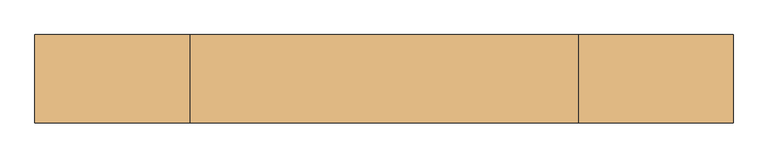
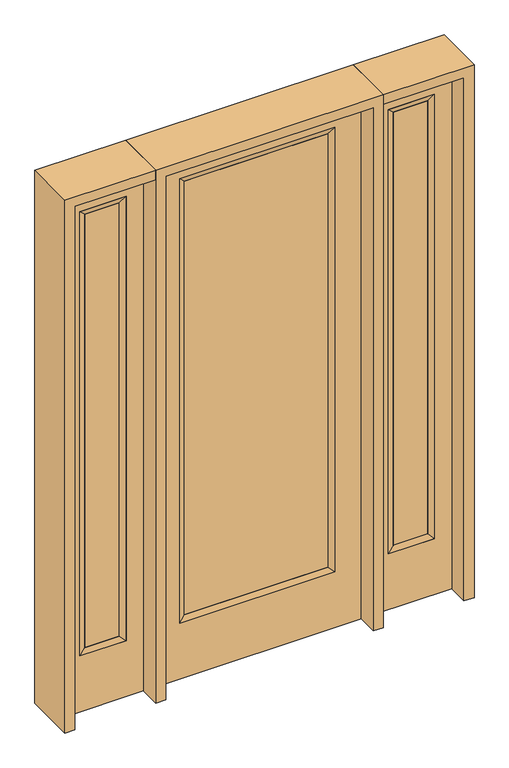
"""IFC4 building model written with IfcOpenShell, lengths in millimetres: door geometry."""

from ifc_helpers import new_model, si_unit, frame, origin, place, context, project, spatial, polyline, outline, extrude, faceted_brep, source, transform, mapped, element, save


def door_b20552be(model_context):
    return source(origin(), model_context, "Body", "SolidModel", [
        extrude(outline(polyline([(316.3824, -12.7039749), (-316.3824, -12.7039749), (-316.3824, 14.2875), (316.3824, 14.2875), (316.3824, -12.7039749)])), frame((0.0, 0.0, 285.75), z_axis=(0.0, 0.0, 1.0), x_axis=(1.0, 0.0, 0.0)), (0.0, 0.0, 1.0), 2019.3),
        faceted_brep([(316.3824, 14.2875, 2305.05), (341.7824, 22.225, 2330.45), (341.7824, 22.225, 260.35), (316.3824, 14.2875, 285.75), (341.7824, -22.225, 2330.45), (341.7824, -22.225, 260.35), (-341.7824, 22.225, 260.35), (-316.3824, 14.2875, 285.75), (316.3824, -12.7039749, 2305.05), (316.3824, -12.7039749, 285.75), (-316.3824, -12.7039749, 285.75), (-341.7824, -22.225, 260.35), (-341.7824, 22.225, 2330.45), (-316.3824, 14.2875, 2305.05), (-316.3824, -12.7039749, 2305.05), (-341.7824, -22.225, 2330.45)], [[[0, 1, 2, 3]], [[1, 4, 5, 2]], [[3, 2, 6, 7]], [[8, 0, 3, 9]], [[9, 3, 7, 10]], [[4, 8, 9, 5]], [[5, 9, 10, 11]], [[2, 5, 11, 6]], [[7, 6, 12, 13]], [[10, 7, 13, 14]], [[11, 10, 14, 15]], [[6, 11, 15, 12]], [[13, 12, 1, 0]], [[14, 13, 0, 8]], [[15, 14, 8, 4]], [[12, 15, 4, 1]]]),
        extrude(outline(polyline([(0.0, -457.2), (0.0, 457.2), (2438.4, 457.2), (2438.4, -457.2), (0.0, -457.2)]), holes=[polyline([(260.35, -341.7824), (2330.45, -341.7824), (2330.45, 341.7824), (260.35, 341.7824), (260.35, -341.7824)])]), frame((0.0, -22.225, 0.0), z_axis=(0.0, 1.0, 0.0), x_axis=(0.0, 0.0, 1.0)), (0.0, 0.0, 1.0), 44.45),
        faceted_brep([(577.85, 20.6375, 2330.45), (577.85, 20.6375, 260.35), (577.85, -20.6375, 260.35), (577.85, -20.6375, 2330.45), (603.25, -12.7, 285.75), (603.25, -12.7, 2305.05), (781.05, 20.6375, 260.35), (781.05, -20.6375, 260.35), (603.25, 12.7, 2305.05), (603.25, 12.7, 285.75), (755.65, 12.7, 285.75), (755.65, -12.7, 285.75), (781.05, 20.6375, 2330.45), (781.05, -20.6375, 2330.45), (755.65, 12.7, 2305.05), (755.65, -12.7, 2305.05)], [[[0, 1, 2, 3]], [[3, 2, 4, 5]], [[1, 6, 7, 2]], [[8, 9, 1, 0]], [[9, 10, 6, 1]], [[5, 4, 9, 8]], [[4, 11, 10, 9]], [[2, 7, 11, 4]], [[6, 12, 13, 7]], [[10, 14, 12, 6]], [[11, 15, 14, 10]], [[7, 13, 15, 11]], [[12, 0, 3, 13]], [[14, 8, 0, 12]], [[15, 5, 8, 14]], [[13, 3, 5, 15]]]),
        extrude(outline(polyline([(0.0, 857.25), (2438.4, 857.25), (2438.4, 501.65), (0.0, 501.65), (0.0, 857.25)]), holes=[polyline([(2330.45, 577.85), (2330.45, 781.05), (260.35, 781.05), (260.35, 577.85), (2330.45, 577.85)])]), frame((0.0, -20.6375, 0.0), z_axis=(0.0, 1.0, 0.0), x_axis=(0.0, 0.0, 1.0)), (0.0, 0.0, 1.0), 41.275),
        extrude(outline(polyline([(603.25, -12.7), (603.25, 12.7), (755.65, 12.7), (755.65, -12.7), (603.25, -12.7)])), frame((0.0, 0.0, 284.95625), z_axis=(0.0, 0.0, 1.0), x_axis=(1.0, 0.0, 0.0)), (0.0, 0.0, 1.0), 2020.09375),
        faceted_brep([(-577.85, 20.6375, 2330.45), (-577.85, -20.6375, 2330.45), (-577.85, -20.6375, 260.35), (-577.85, 20.6375, 260.35), (-603.25, -12.7, 2305.05), (-603.25, -12.7, 285.75), (-781.05, -20.6375, 260.35), (-781.05, 20.6375, 260.35), (-603.25, 12.7, 2305.05), (-603.25, 12.7, 285.75), (-755.65, 12.7, 285.75), (-755.65, -12.7, 285.75), (-781.05, -20.6375, 2330.45), (-781.05, 20.6375, 2330.45), (-755.65, 12.7, 2305.05), (-755.65, -12.7, 2305.05)], [[[0, 1, 2, 3]], [[1, 4, 5, 2]], [[3, 2, 6, 7]], [[8, 0, 3, 9]], [[9, 3, 7, 10]], [[4, 8, 9, 5]], [[5, 9, 10, 11]], [[2, 5, 11, 6]], [[7, 6, 12, 13]], [[10, 7, 13, 14]], [[11, 10, 14, 15]], [[6, 11, 15, 12]], [[13, 12, 1, 0]], [[14, 13, 0, 8]], [[15, 14, 8, 4]], [[12, 15, 4, 1]]]),
        extrude(outline(polyline([(0.0, -857.25), (0.0, -501.65), (2438.4, -501.65), (2438.4, -857.25), (0.0, -857.25)]), holes=[polyline([(2330.45, -577.85), (260.35, -577.85), (260.35, -781.05), (2330.45, -781.05), (2330.45, -577.85)])]), frame((0.0, -20.6375, 0.0), z_axis=(0.0, 1.0, 0.0), x_axis=(0.0, 0.0, 1.0)), (0.0, 0.0, 1.0), 41.275),
        extrude(outline(polyline([(-603.25, -12.7), (-755.65, -12.7), (-755.65, 12.7), (-603.25, 12.7), (-603.25, -12.7)])), frame((0.0, 0.0, 284.95625), z_axis=(0.0, 0.0, 1.0), x_axis=(1.0, 0.0, 0.0)), (0.0, 0.0, 1.0), 2020.09375),
        extrude(outline(polyline([(2438.4, -501.65), (2482.85, -501.65), (2482.85, -901.7), (0.0, -901.7), (0.0, -857.25), (2438.4, -857.25), (2438.4, -501.65)])), frame((0.0, -114.3, 0.0), z_axis=(0.0, 1.0, 0.0), x_axis=(0.0, 0.0, 1.0)), (0.0, 0.0, 1.0), 228.6),
        extrude(outline(polyline([(2482.85, -501.65), (0.0, -501.65), (0.0, -457.2), (2438.4, -457.2), (2438.4, 457.2), (0.0, 457.2), (0.0, 501.65), (2482.85, 501.65), (2482.85, -501.65)])), frame((0.0, -114.3, 0.0), z_axis=(0.0, 1.0, 0.0), x_axis=(0.0, 0.0, 1.0)), (0.0, 0.0, 1.0), 228.6),
        extrude(outline(polyline([(0.0, 857.25), (0.0, 901.7), (2482.85, 901.7), (2482.85, 501.65), (2438.4, 501.65), (2438.4, 857.25), (0.0, 857.25)])), frame((0.0, -114.3, 0.0), z_axis=(0.0, 1.0, 0.0), x_axis=(0.0, 0.0, 1.0)), (0.0, 0.0, 1.0), 228.6),
    ])


if __name__ == "__main__":
    model = new_model("IFC4")
    model_context = context("Model", 3, world=origin())
    ifc_project = project(units=[si_unit("LENGTHUNIT", "METRE", prefix="MILLI")], contexts=[model_context])
    site = spatial("IfcSite", under=ifc_project)
    building = spatial("IfcBuilding", under=site)
    placement = place(None, origin())
    door_shape = door_b20552be(model_context)
    element("IfcDoor", 1, at=placement, inside=building, context=model_context, shape_type="MappedRepresentation", body=[
        mapped(door_shape, transform((0.0, 0.0, 0.0), x_axis=(1.0, 0.0, 0.0), y_axis=(0.0, 1.0, 0.0), z_axis=(0.0, 0.0, 1.0))),
    ])
    save(model, "model.ifc")
